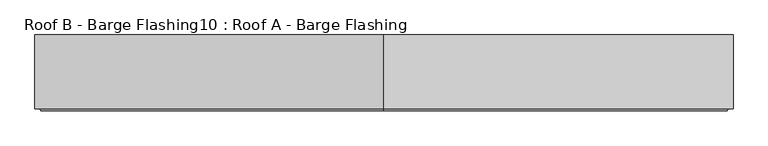
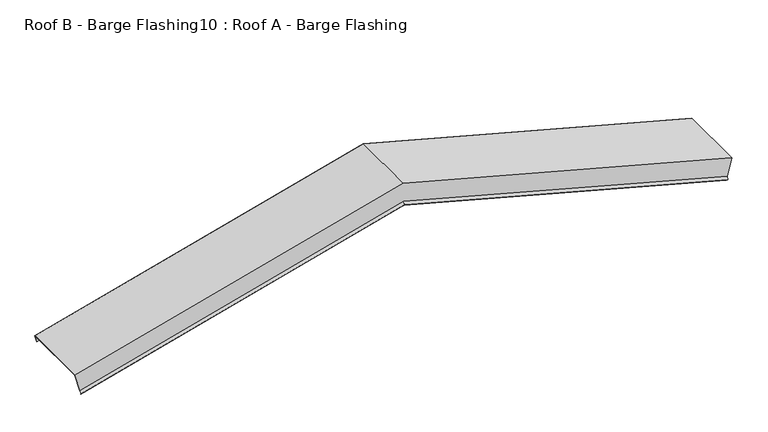
"""IFC4 building model written with IfcOpenShell, lengths in millimetres: proxy geometry, Roof B - Barge Flashing10 : Roof A - Barge Flashing."""

import ifcopenshell
import ifcopenshell.guid

model = None  # the IFC model being written
_history = None  # IfcOwnerHistory: only IFC2X3 demands one
_inside = {}  # id of a spatial element -> (the spatial element, [elements in it])
_under = {}  # id of a project, library or spatial element -> (it, [spatial elements below it])
_declared = {}  # id of a project -> (the project, [libraries it declares])
_typed = {}  # id of a type object -> (the type object, [elements of that type])
_made_of = {}  # id of a material, layer set ... -> (it, [elements and type objects made of it])


def new_model(schema):
    """Start an empty IFC model of exactly this schema.

    Asked for "IFC4X3", IfcOpenShell would pick the latest addendum, in which some entities
    have other attributes; the version numbers below select the first issue.
    IFC2X3 requires an IfcOwnerHistory on every rooted entity: one is made here for all.
    """
    global model, _history
    if schema == "IFC4X3":
        model = ifcopenshell.file(schema_version=(4, 3, 0, 0))
    else:
        model = ifcopenshell.file(schema=schema)
    _inside.clear()
    _under.clear()
    _declared.clear()
    _typed.clear()
    _made_of.clear()
    _history = None
    if model.schema == "IFC2X3":
        org = make("IfcOrganization", Name="unknown")
        user = make(
            "IfcPersonAndOrganization",
            ThePerson=make("IfcPerson", FamilyName="unknown"),
            TheOrganization=org,
        )
        app = make(
            "IfcApplication",
            ApplicationDeveloper=org,
            Version="unknown",
            ApplicationFullName="unknown",
            ApplicationIdentifier="unknown",
        )
        _history = make(
            "IfcOwnerHistory",
            OwningUser=user,
            OwningApplication=app,
            ChangeAction="ADDED",
            CreationDate=0,
        )
    return model


def make(cls, **values):
    """One entity of the class cls with the attributes given. An attribute that is None is left unset."""
    return model.create_entity(
        cls, **{name: value for name, value in values.items() if value is not None}
    )


def rooted(cls, **values):
    """An entity with a GlobalId (a new one), such as an element, a storey or a relation."""
    return make(cls, GlobalId=ifcopenshell.guid.new(), OwnerHistory=_history, **values)


def si_unit(unit_type, name, prefix=None):
    """IfcSIUnit, for example si_unit("LENGTHUNIT", "METRE", prefix="MILLI")."""
    return make("IfcSIUnit", UnitType=unit_type, Prefix=prefix, Name=name)


def assignment(units):
    """IfcUnitAssignment: the units of a project."""
    return None if units is None else make("IfcUnitAssignment", Units=units)


def point(xyz):
    """IfcCartesianPoint."""
    return None if xyz is None else make("IfcCartesianPoint", Coordinates=xyz)


def direction(xyz):
    """IfcDirection."""
    return None if xyz is None else make("IfcDirection", DirectionRatios=xyz)


def frame(location, z_axis=None, x_axis=None):
    """IfcAxis2Placement3D, a coordinate frame: its origin and axes. An axis left out is left unset."""
    return make(
        "IfcAxis2Placement3D",
        Location=point(location),
        Axis=direction(z_axis),
        RefDirection=direction(x_axis),
    )


def origin():
    """The frame at (0, 0, 0) with its axes left unset."""
    return frame((0.0, 0.0, 0.0))


def place(relative_to, where):
    """IfcLocalPlacement: puts the frame where relative to a parent placement (None: the world)."""
    return make(
        "IfcLocalPlacement", PlacementRelTo=relative_to, RelativePlacement=where
    )


def context(
    kind, dimensions, precision=None, world=None, true_north=None, identifier=None
):
    """IfcGeometricRepresentationContext, for example the 3D "Model" context."""
    return make(
        "IfcGeometricRepresentationContext",
        ContextIdentifier=identifier,
        ContextType=kind,
        CoordinateSpaceDimension=dimensions,
        Precision=precision,
        WorldCoordinateSystem=world,
        TrueNorth=true_north,
    )


def project(units=None, contexts=None):
    """IfcProject with its units and contexts."""
    return rooted(
        "IfcProject",
        Name="project",
        RepresentationContexts=contexts,
        UnitsInContext=assignment(units),
    )


def spatial(cls, under=None, at=None, **own):
    """A site, building, storey or space (cls), placed at a placement, below another one or the project."""
    s = rooted(cls, ObjectPlacement=at, **own)
    if under is not None:
        _under.setdefault(under.id(), (under, []))[1].append(s)
    return s


def faces_of(points, faces, orient=None, outer=None):
    """IfcFace entities. A face is a list of loops; a loop is a list of indices into points, from 0.

    orient and outer hold one flag for each loop. By default every Orientation is true, the
    first loop of a face is its IfcFaceOuterBound and the others are IfcFaceBound.
    """
    made = []
    for i, loops in enumerate(faces):
        bounds = []
        for j, loop in enumerate(loops):
            is_outer = j == 0 if outer is None else outer[i][j]
            bounds.append(
                make(
                    "IfcFaceOuterBound" if is_outer else "IfcFaceBound",
                    Bound=make("IfcPolyLoop", Polygon=[points[k] for k in loop]),
                    Orientation=True if orient is None else orient[i][j],
                )
            )
        made.append(make("IfcFace", Bounds=bounds))
    return made


def faceted_brep(points, faces, orient=None, outer=None, voids=None):
    """IfcFacetedBrep: a solid bounded by flat faces; with voids (closed shells), ...WithVoids."""
    shared = [point(p) for p in points]
    hull = make("IfcClosedShell", CfsFaces=faces_of(shared, faces, orient, outer))
    if voids is None:
        return make("IfcFacetedBrep", Outer=hull)
    return make(
        "IfcFacetedBrepWithVoids",
        Outer=hull,
        Voids=[
            make(cls, CfsFaces=faces_of(shared, fs, o, b)) for cls, fs, o, b in voids
        ],
    )


def shape(context_of_items, identifier, shape_type, items):
    """IfcShapeRepresentation: the items that make up one representation, for example the "Body"."""
    return make(
        "IfcShapeRepresentation",
        ContextOfItems=context_of_items,
        RepresentationIdentifier=identifier,
        RepresentationType=shape_type,
        Items=items,
    )


def source(mapping_origin, context_of_items, identifier, shape_type, items):
    """IfcRepresentationMap: a shape defined once, which mapped items show again and again."""
    return make(
        "IfcRepresentationMap",
        MappingOrigin=mapping_origin,
        MappedRepresentation=shape(context_of_items, identifier, shape_type, items),
    )


def transform(
    local_origin,
    x_axis=None,
    y_axis=None,
    z_axis=None,
    scale=None,
    scale2=None,
    scale3=None,
    uniform=True,
):
    """IfcCartesianTransformationOperator3D, or its non-uniform kind. x_axis, y_axis, z_axis: its Axis1, 2, 3."""
    if uniform:
        return make(
            "IfcCartesianTransformationOperator3D",
            Axis1=direction(x_axis),
            Axis2=direction(y_axis),
            LocalOrigin=point(local_origin),
            Scale=scale,
            Axis3=direction(z_axis),
        )
    return make(
        "IfcCartesianTransformationOperator3DnonUniform",
        Axis1=direction(x_axis),
        Axis2=direction(y_axis),
        LocalOrigin=point(local_origin),
        Scale=scale,
        Axis3=direction(z_axis),
        Scale2=scale2,
        Scale3=scale3,
    )


def mapped(mapping_source, mapping_target):
    """IfcMappedItem: shows the shape of a source again, moved by a transform."""
    return make(
        "IfcMappedItem", MappingSource=mapping_source, MappingTarget=mapping_target
    )


def made_of(thing, what):
    """Note that an element or type object is made of a material, layer set ...; save() writes the relation."""
    if what is not None:
        _made_of.setdefault(what.id(), (what, []))[1].append(thing)
    return thing


def element(
    cls,
    number,
    at=None,
    inside=None,
    cuts=None,
    type_object=None,
    material=None,
    context=None,
    identifier="Body",
    shape_type=None,
    held_by="IfcProductDefinitionShape",
    body=None,
    shapes=None,
    **own,
):
    """One element of the class cls, such as IfcWall. Its Tag is "e" and its number.

    at: its placement. inside: the storey or other place that contains it. cuts: it is an
    opening in that element (IfcRelVoidsElement). A single representation is given by context,
    identifier, shape_type and body (its items); several are given by shapes. held_by: the class
    of the entity that holds the representations. save() writes the other relations.
    """
    e = rooted(cls, Tag="e%d" % number, ObjectPlacement=at, **own)
    if body is not None:
        shapes = [shape(context, identifier, shape_type, body)]
    if shapes is not None:
        e.Representation = make(held_by, Representations=shapes)
    if inside is not None:
        _inside.setdefault(inside.id(), (inside, []))[1].append(e)
    if cuts is not None:
        rooted(
            "IfcRelVoidsElement", RelatingBuildingElement=cuts, RelatedOpeningElement=e
        )
    if type_object is not None:
        _typed.setdefault(type_object.id(), (type_object, []))[1].append(e)
    return made_of(e, material)


def aggregate(whole, parts):
    """IfcRelAggregates: a whole, such as a stair, and the parts it consists of."""
    return rooted("IfcRelAggregates", RelatingObject=whole, RelatedObjects=parts)


def save(model, path):
    """Write the relations noted so far, then the file.

    IfcRelAggregates (storeys below a building ...), IfcRelContainedInSpatialStructure (elements
    in a storey), IfcRelDefinesByType, IfcRelAssociatesMaterial and IfcRelDeclares: one each for
    every whole, place, type object, material and project.
    """
    for whole, parts in _under.values():
        aggregate(whole, parts)
    for where, things in _inside.values():
        rooted(
            "IfcRelContainedInSpatialStructure",
            RelatedElements=things,
            RelatingStructure=where,
        )
    for kind, things in _typed.values():
        rooted("IfcRelDefinesByType", RelatedObjects=things, RelatingType=kind)
    for what, things in _made_of.values():
        rooted("IfcRelAssociatesMaterial", RelatedObjects=things, RelatingMaterial=what)
    for by, libraries in _declared.values():
        rooted("IfcRelDeclares", RelatingContext=by, RelatedDefinitions=libraries)
    model.write(path)


def roof_b_barge_flashing10_roof_a_barge_flashing_84d3c0ce(model_context):
    return source(origin(), model_context, "Body", "Brep", [
        faceted_brep([(49403.2429315, -2896.7186624, 4221.0347541), (49391.2078459, -2896.7186624, 4176.1192032), (49391.2078459, -2895.7186624, 4176.1192032), (49403.5017506, -2895.7186624, 4222.00068), (49403.5017506, -3345.8532762, 4222.00068), (49372.766989, -3345.8532762, 4107.2969881), (49369.1067349, -3359.9954118, 4093.6367341), (49366.3615444, -3349.3888101, 4083.3915435), (49366.5445571, -3348.6817033, 4084.0745562), (49369.1067349, -3358.5811983, 4093.6367341), (49372.6597826, -3344.8532762, 4106.8968885), (49403.2429315, -3344.8532762, 4221.0347541), (47271.067717, -2896.7186624, 4792.349381), (45138.8925025, -2896.7186624, 4221.0347541), (45150.9275881, -2896.7186624, 4176.1192032), (47271.067717, -2896.7186624, 4744.2090386), (47271.067717, -2895.7186624, 4744.2090386), (45150.9275881, -2895.7186624, 4176.1192032), (45138.6336835, -2895.7186624, 4222.00068), (47271.067717, -2895.7186624, 4793.3846572), (47271.067717, -3345.8532762, 4793.3846572), (45138.6336835, -3345.8532762, 4222.00068), (45169.3684451, -3345.8532762, 4107.2969881), (47271.067717, -3345.8532762, 4670.4456108), (47271.067717, -3359.9954118, 4655.8045946), (47271.067717, -3349.3888101, 4644.8238325), (47271.067717, -3348.6817033, 4645.5558833), (47271.067717, -3358.5811983, 4655.8045946), (47271.067717, -3344.8532762, 4670.0167853), (45169.4756514, -3344.8532762, 4106.8968885), (45138.8925025, -3344.8532762, 4221.0347541), (47271.067717, -3344.8532762, 4792.349381), (45173.0286991, -3358.5811983, 4093.6367341), (45175.5908769, -3348.6817033, 4084.0745562), (45175.7738896, -3349.3888101, 4083.3915435), (45173.0286991, -3359.9954118, 4093.6367341)], [[[0, 1, 2, 3, 4, 5, 6, 7, 8, 9, 10, 11]], [[1, 0, 12, 13, 14, 15]], [[2, 1, 15, 16]], [[3, 2, 16, 17, 18, 19]], [[4, 3, 19, 20]], [[5, 4, 20, 21, 22, 23]], [[6, 5, 23, 24]], [[7, 6, 24, 25]], [[8, 7, 25, 26]], [[9, 8, 26, 27]], [[10, 9, 27, 28]], [[11, 10, 28, 29, 30, 31]], [[0, 11, 31, 12]], [[13, 30, 29, 32, 33, 34, 35, 22, 21, 18, 17, 14]], [[16, 15, 14, 17]], [[20, 19, 18, 21]], [[24, 23, 22, 35]], [[25, 24, 35, 34]], [[26, 25, 34, 33]], [[27, 26, 33, 32]], [[28, 27, 32, 29]], [[12, 31, 30, 13]]]),
    ])


if __name__ == "__main__":
    model = new_model("IFC4")
    model_context = context("Model", 3, world=origin())
    ifc_project = project(units=[si_unit("LENGTHUNIT", "METRE", prefix="MILLI")], contexts=[model_context])
    site = spatial("IfcSite", under=ifc_project)
    building = spatial("IfcBuilding", under=site)
    placement = place(None, origin())
    roof_b_barge_flashing10_roof_a_barge_flashing_shape = roof_b_barge_flashing10_roof_a_barge_flashing_84d3c0ce(model_context)
    element("IfcBuildingElementProxy", 1, Name="Roof B - Barge Flashing10 : Roof A - Barge Flashing", ObjectType="Roof B - Barge Flashing10 : Roof A - Barge Flashing", at=placement, inside=building, context=model_context, shape_type="MappedRepresentation", body=[
        mapped(roof_b_barge_flashing10_roof_a_barge_flashing_shape, transform((0.0, 0.0, 0.0), x_axis=(1.0, 0.0, 0.0), y_axis=(0.0, 1.0, 0.0), z_axis=(0.0, 0.0, 1.0))),
    ])
    save(model, "model.ifc")
